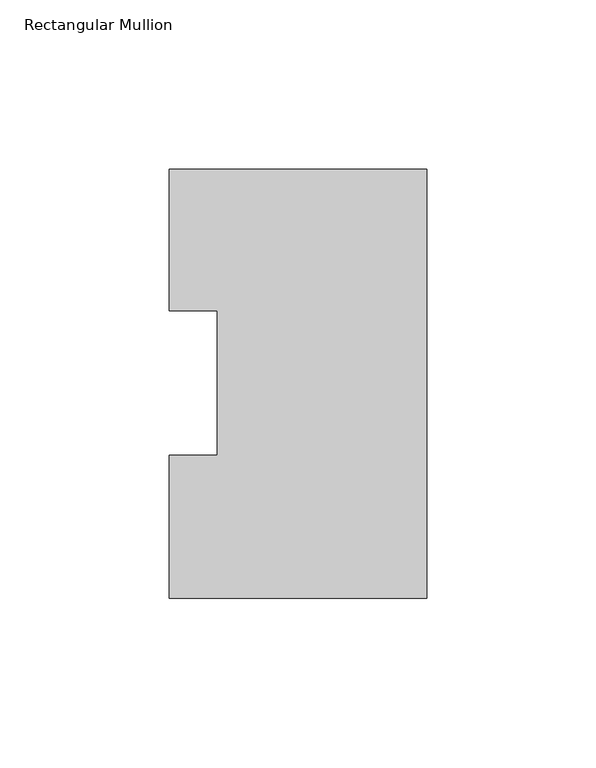
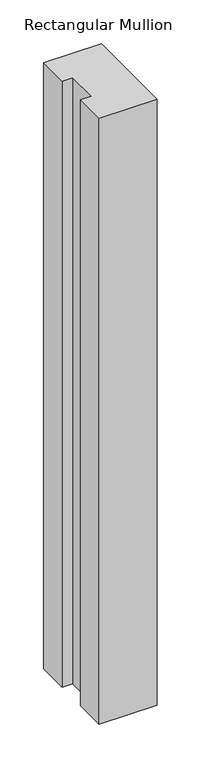
"""IFC4 building model written with IfcOpenShell, lengths in millimetres: member geometry, Rectangular Mullion."""

from ifc_helpers import new_model, si_unit, frame, origin, place, context, project, spatial, polyline, outline, extrude, source, transform, mapped, element, save


def rectangular_mullion_3607972d(model_context):
    return source(origin(), model_context, "Body", "SweptSolid", [
        extrude(outline(polyline([(-76.1994574, -0.0111125), (-76.1994574, 42.2798875), (-61.9139549, 42.2798875), (-61.9139549, 85.1296875), (-76.1994574, 85.1296875), (-76.1994574, 126.9888875), (0.0, 126.9888875), (0.0, -0.0111125), (-76.1994574, -0.0111125)])), frame((0.0, 0.0, -844.55), z_axis=(0.0, 0.0, 1.0), x_axis=(1.0, 0.0, 0.0)), (0.0, 0.0, 1.0), 844.55),
    ])


if __name__ == "__main__":
    model = new_model("IFC4")
    model_context = context("Model", 3, world=origin())
    ifc_project = project(units=[si_unit("LENGTHUNIT", "METRE", prefix="MILLI")], contexts=[model_context])
    site = spatial("IfcSite", under=ifc_project)
    building = spatial("IfcBuilding", under=site)
    placement = place(None, origin())
    rectangular_mullion_shape = rectangular_mullion_3607972d(model_context)
    element("IfcMember", 1, ObjectType="Rectangular Mullion", at=placement, inside=building, context=model_context, shape_type="MappedRepresentation", body=[
        mapped(rectangular_mullion_shape, transform((0.0, 0.0, 0.0), x_axis=(1.0, 0.0, 0.0), y_axis=(0.0, 1.0, 0.0), z_axis=(0.0, 0.0, 1.0))),
    ])
    save(model, "model.ifc")
